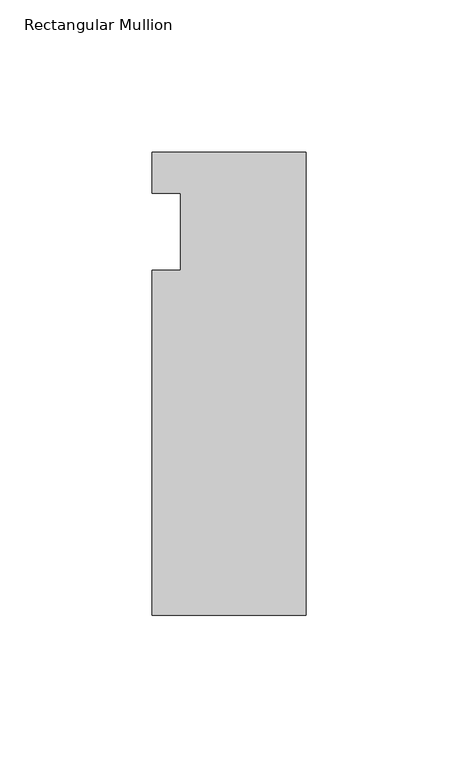
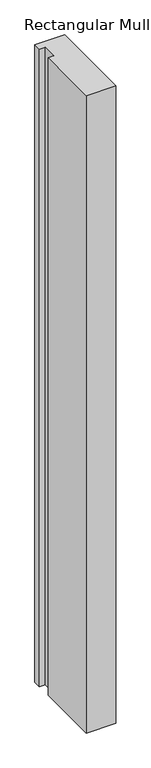
"""IFC4 building model written with IfcOpenShell, lengths in millimetres: member geometry, Rectangular Mullion."""

from ifc_helpers import new_model, si_unit, frame, origin, place, context, project, spatial, polyline, outline, extrude, source, transform, mapped, element, save


def rectangular_mullion_deb6fd79(model_context):
    return source(origin(), model_context, "Body", "SweptSolid", [
        extrude(outline(polyline([(-50.8, 26.19375), (0.0, 26.19375), (0.0, -126.20625), (-50.8, -126.20625), (-50.8, -12.7), (-41.275, -12.7), (-41.275, 12.7), (-50.8, 12.7), (-50.8, 26.19375)])), frame((0.0, 0.0, -1155.7), z_axis=(0.0, 0.0, 1.0), x_axis=(1.0, 0.0, 0.0)), (0.0, 0.0, 1.0), 1155.7),
    ])


if __name__ == "__main__":
    model = new_model("IFC4")
    model_context = context("Model", 3, world=origin())
    ifc_project = project(units=[si_unit("LENGTHUNIT", "METRE", prefix="MILLI")], contexts=[model_context])
    site = spatial("IfcSite", under=ifc_project)
    building = spatial("IfcBuilding", under=site)
    placement = place(None, origin())
    rectangular_mullion_shape = rectangular_mullion_deb6fd79(model_context)
    element("IfcMember", 1, ObjectType="Rectangular Mullion", at=placement, inside=building, context=model_context, shape_type="MappedRepresentation", body=[
        mapped(rectangular_mullion_shape, transform((0.0, 0.0, 0.0), x_axis=(1.0, 0.0, 0.0), y_axis=(0.0, 1.0, 0.0), z_axis=(0.0, 0.0, 1.0))),
    ])
    save(model, "model.ifc")
